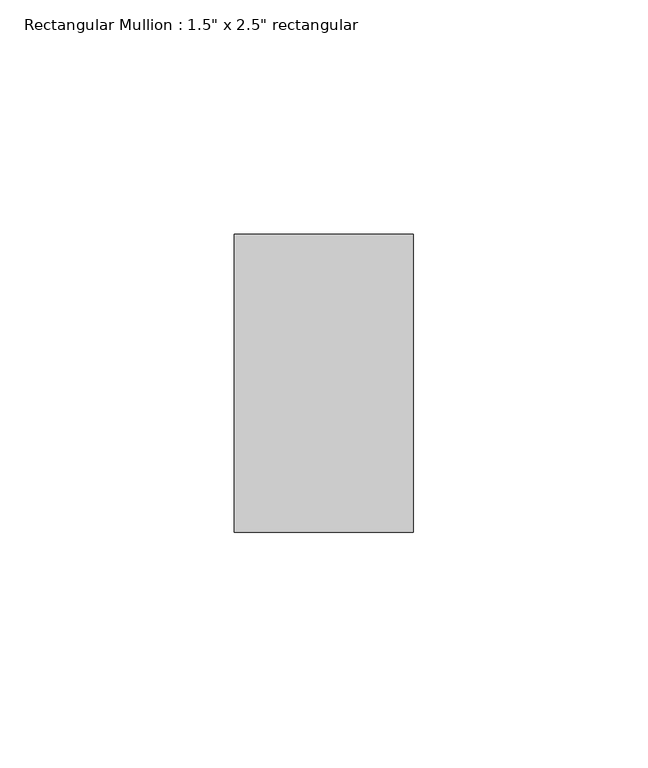
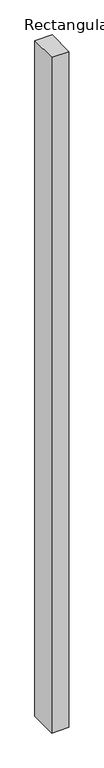
"""IFC4 building model written with IfcOpenShell, lengths in millimetres: member geometry."""

from ifc_helpers import new_model, si_unit, frame, origin, place, context, project, spatial, polyline, outline, extrude, source, transform, mapped, element, save


def member_2b742932(model_context):
    return source(origin(), model_context, "Body", "SweptSolid", [
        extrude(outline(polyline([(19.05, -19.05), (19.05, -82.55), (-19.05, -82.55), (-19.05, -19.05), (19.05, -19.05)])), frame((0.0, 0.0, -1568.45), z_axis=(0.0, 0.0, 1.0), x_axis=(1.0, 0.0, 0.0)), (0.0, 0.0, 1.0), 1568.45),
    ])


if __name__ == "__main__":
    model = new_model("IFC4")
    model_context = context("Model", 3, world=origin())
    ifc_project = project(units=[si_unit("LENGTHUNIT", "METRE", prefix="MILLI")], contexts=[model_context])
    site = spatial("IfcSite", under=ifc_project)
    building = spatial("IfcBuilding", under=site)
    placement = place(None, origin())
    member_shape = member_2b742932(model_context)
    element("IfcMember", 1, ObjectType="Rectangular Mullion : 1.5\" x 2.5\" rectangular", at=placement, inside=building, context=model_context, shape_type="MappedRepresentation", body=[
        mapped(member_shape, transform((0.0, 0.0, 0.0), x_axis=(1.0, 0.0, 0.0), y_axis=(0.0, 1.0, 0.0), z_axis=(0.0, 0.0, 1.0))),
    ])
    save(model, "model.ifc")
